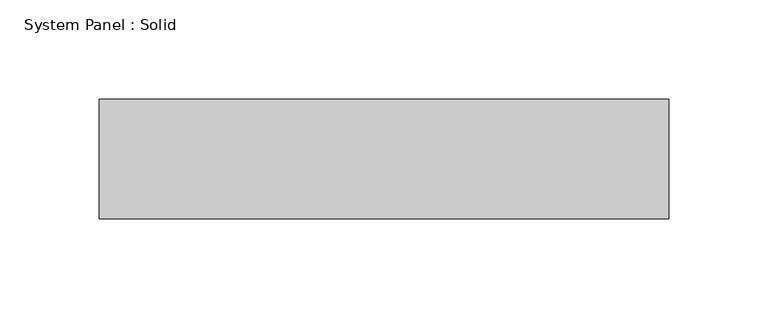
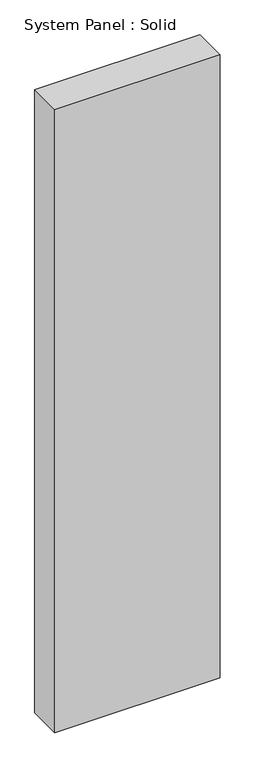
"""IFC4 building model written with IfcOpenShell, lengths in millimetres: plate geometry, System Panel : Solid."""

import ifcopenshell
import ifcopenshell.guid

model = None  # the IFC model being written
_history = None  # IfcOwnerHistory: only IFC2X3 demands one
_inside = {}  # id of a spatial element -> (the spatial element, [elements in it])
_under = {}  # id of a project, library or spatial element -> (it, [spatial elements below it])
_declared = {}  # id of a project -> (the project, [libraries it declares])
_typed = {}  # id of a type object -> (the type object, [elements of that type])
_made_of = {}  # id of a material, layer set ... -> (it, [elements and type objects made of it])


def new_model(schema):
    """Start an empty IFC model of exactly this schema.

    Asked for "IFC4X3", IfcOpenShell would pick the latest addendum, in which some entities
    have other attributes; the version numbers below select the first issue.
    IFC2X3 requires an IfcOwnerHistory on every rooted entity: one is made here for all.
    """
    global model, _history
    if schema == "IFC4X3":
        model = ifcopenshell.file(schema_version=(4, 3, 0, 0))
    else:
        model = ifcopenshell.file(schema=schema)
    _inside.clear()
    _under.clear()
    _declared.clear()
    _typed.clear()
    _made_of.clear()
    _history = None
    if model.schema == "IFC2X3":
        org = make("IfcOrganization", Name="unknown")
        user = make(
            "IfcPersonAndOrganization",
            ThePerson=make("IfcPerson", FamilyName="unknown"),
            TheOrganization=org,
        )
        app = make(
            "IfcApplication",
            ApplicationDeveloper=org,
            Version="unknown",
            ApplicationFullName="unknown",
            ApplicationIdentifier="unknown",
        )
        _history = make(
            "IfcOwnerHistory",
            OwningUser=user,
            OwningApplication=app,
            ChangeAction="ADDED",
            CreationDate=0,
        )
    return model


def make(cls, **values):
    """One entity of the class cls with the attributes given. An attribute that is None is left unset."""
    return model.create_entity(
        cls, **{name: value for name, value in values.items() if value is not None}
    )


def rooted(cls, **values):
    """An entity with a GlobalId (a new one), such as an element, a storey or a relation."""
    return make(cls, GlobalId=ifcopenshell.guid.new(), OwnerHistory=_history, **values)


def si_unit(unit_type, name, prefix=None):
    """IfcSIUnit, for example si_unit("LENGTHUNIT", "METRE", prefix="MILLI")."""
    return make("IfcSIUnit", UnitType=unit_type, Prefix=prefix, Name=name)


def assignment(units):
    """IfcUnitAssignment: the units of a project."""
    return None if units is None else make("IfcUnitAssignment", Units=units)


def point(xyz):
    """IfcCartesianPoint."""
    return None if xyz is None else make("IfcCartesianPoint", Coordinates=xyz)


def direction(xyz):
    """IfcDirection."""
    return None if xyz is None else make("IfcDirection", DirectionRatios=xyz)


def frame(location, z_axis=None, x_axis=None):
    """IfcAxis2Placement3D, a coordinate frame: its origin and axes. An axis left out is left unset."""
    return make(
        "IfcAxis2Placement3D",
        Location=point(location),
        Axis=direction(z_axis),
        RefDirection=direction(x_axis),
    )


def origin():
    """The frame at (0, 0, 0) with its axes left unset."""
    return frame((0.0, 0.0, 0.0))


def origin_with_axes():
    """The frame at (0, 0, 0) with the z axis (0, 0, 1) and the x axis (1, 0, 0) written out."""
    return frame((0.0, 0.0, 0.0), z_axis=(0.0, 0.0, 1.0), x_axis=(1.0, 0.0, 0.0))


def place(relative_to, where):
    """IfcLocalPlacement: puts the frame where relative to a parent placement (None: the world)."""
    return make(
        "IfcLocalPlacement", PlacementRelTo=relative_to, RelativePlacement=where
    )


def context(
    kind, dimensions, precision=None, world=None, true_north=None, identifier=None
):
    """IfcGeometricRepresentationContext, for example the 3D "Model" context."""
    return make(
        "IfcGeometricRepresentationContext",
        ContextIdentifier=identifier,
        ContextType=kind,
        CoordinateSpaceDimension=dimensions,
        Precision=precision,
        WorldCoordinateSystem=world,
        TrueNorth=true_north,
    )


def project(units=None, contexts=None):
    """IfcProject with its units and contexts."""
    return rooted(
        "IfcProject",
        Name="project",
        RepresentationContexts=contexts,
        UnitsInContext=assignment(units),
    )


def spatial(cls, under=None, at=None, **own):
    """A site, building, storey or space (cls), placed at a placement, below another one or the project."""
    s = rooted(cls, ObjectPlacement=at, **own)
    if under is not None:
        _under.setdefault(under.id(), (under, []))[1].append(s)
    return s


def polyline(points):
    """IfcPolyline through the points."""
    return make("IfcPolyline", Points=[point(p) for p in points])


def outline(outer, holes=None, kind="AREA"):
    """IfcArbitraryClosedProfileDef: a profile drawn as a closed curve; with holes, ...WithVoids."""
    if holes is None:
        return make("IfcArbitraryClosedProfileDef", ProfileType=kind, OuterCurve=outer)
    return make(
        "IfcArbitraryProfileDefWithVoids",
        ProfileType=kind,
        OuterCurve=outer,
        InnerCurves=holes,
    )


def extrude(swept, where, along, depth):
    """IfcExtrudedAreaSolid: the profile swept, set in the frame where, extruded along a direction by depth."""
    return make(
        "IfcExtrudedAreaSolid",
        SweptArea=swept,
        Position=where,
        ExtrudedDirection=direction(along),
        Depth=depth,
    )


def shape(context_of_items, identifier, shape_type, items):
    """IfcShapeRepresentation: the items that make up one representation, for example the "Body"."""
    return make(
        "IfcShapeRepresentation",
        ContextOfItems=context_of_items,
        RepresentationIdentifier=identifier,
        RepresentationType=shape_type,
        Items=items,
    )


def source(mapping_origin, context_of_items, identifier, shape_type, items):
    """IfcRepresentationMap: a shape defined once, which mapped items show again and again."""
    return make(
        "IfcRepresentationMap",
        MappingOrigin=mapping_origin,
        MappedRepresentation=shape(context_of_items, identifier, shape_type, items),
    )


def transform(
    local_origin,
    x_axis=None,
    y_axis=None,
    z_axis=None,
    scale=None,
    scale2=None,
    scale3=None,
    uniform=True,
):
    """IfcCartesianTransformationOperator3D, or its non-uniform kind. x_axis, y_axis, z_axis: its Axis1, 2, 3."""
    if uniform:
        return make(
            "IfcCartesianTransformationOperator3D",
            Axis1=direction(x_axis),
            Axis2=direction(y_axis),
            LocalOrigin=point(local_origin),
            Scale=scale,
            Axis3=direction(z_axis),
        )
    return make(
        "IfcCartesianTransformationOperator3DnonUniform",
        Axis1=direction(x_axis),
        Axis2=direction(y_axis),
        LocalOrigin=point(local_origin),
        Scale=scale,
        Axis3=direction(z_axis),
        Scale2=scale2,
        Scale3=scale3,
    )


def mapped(mapping_source, mapping_target):
    """IfcMappedItem: shows the shape of a source again, moved by a transform."""
    return make(
        "IfcMappedItem", MappingSource=mapping_source, MappingTarget=mapping_target
    )


def made_of(thing, what):
    """Note that an element or type object is made of a material, layer set ...; save() writes the relation."""
    if what is not None:
        _made_of.setdefault(what.id(), (what, []))[1].append(thing)
    return thing


def element(
    cls,
    number,
    at=None,
    inside=None,
    cuts=None,
    type_object=None,
    material=None,
    context=None,
    identifier="Body",
    shape_type=None,
    held_by="IfcProductDefinitionShape",
    body=None,
    shapes=None,
    **own,
):
    """One element of the class cls, such as IfcWall. Its Tag is "e" and its number.

    at: its placement. inside: the storey or other place that contains it. cuts: it is an
    opening in that element (IfcRelVoidsElement). A single representation is given by context,
    identifier, shape_type and body (its items); several are given by shapes. held_by: the class
    of the entity that holds the representations. save() writes the other relations.
    """
    e = rooted(cls, Tag="e%d" % number, ObjectPlacement=at, **own)
    if body is not None:
        shapes = [shape(context, identifier, shape_type, body)]
    if shapes is not None:
        e.Representation = make(held_by, Representations=shapes)
    if inside is not None:
        _inside.setdefault(inside.id(), (inside, []))[1].append(e)
    if cuts is not None:
        rooted(
            "IfcRelVoidsElement", RelatingBuildingElement=cuts, RelatedOpeningElement=e
        )
    if type_object is not None:
        _typed.setdefault(type_object.id(), (type_object, []))[1].append(e)
    return made_of(e, material)


def aggregate(whole, parts):
    """IfcRelAggregates: a whole, such as a stair, and the parts it consists of."""
    return rooted("IfcRelAggregates", RelatingObject=whole, RelatedObjects=parts)


def save(model, path):
    """Write the relations noted so far, then the file.

    IfcRelAggregates (storeys below a building ...), IfcRelContainedInSpatialStructure (elements
    in a storey), IfcRelDefinesByType, IfcRelAssociatesMaterial and IfcRelDeclares: one each for
    every whole, place, type object, material and project.
    """
    for whole, parts in _under.values():
        aggregate(whole, parts)
    for where, things in _inside.values():
        rooted(
            "IfcRelContainedInSpatialStructure",
            RelatedElements=things,
            RelatingStructure=where,
        )
    for kind, things in _typed.values():
        rooted("IfcRelDefinesByType", RelatedObjects=things, RelatingType=kind)
    for what, things in _made_of.values():
        rooted("IfcRelAssociatesMaterial", RelatedObjects=things, RelatingMaterial=what)
    for by, libraries in _declared.values():
        rooted("IfcRelDeclares", RelatingContext=by, RelatedDefinitions=libraries)
    model.write(path)


def system_panel_solid_dea325df(model_context):
    return source(origin(), model_context, "Body", "SweptSolid", [
        extrude(outline(polyline([(143.0, -10.5), (-143.0, -10.5), (-143.0, 49.5), (143.0, 49.5), (143.0, -10.5)])), origin_with_axes(), (0.0, 0.0, 1.0), 1140.0),
    ])


if __name__ == "__main__":
    model = new_model("IFC4")
    model_context = context("Model", 3, world=origin())
    ifc_project = project(units=[si_unit("LENGTHUNIT", "METRE", prefix="MILLI")], contexts=[model_context])
    site = spatial("IfcSite", under=ifc_project)
    building = spatial("IfcBuilding", under=site)
    placement = place(None, origin())
    system_panel_solid_shape = system_panel_solid_dea325df(model_context)
    element("IfcPlate", 1, ObjectType="System Panel : Solid", at=placement, inside=building, context=model_context, shape_type="MappedRepresentation", body=[
        mapped(system_panel_solid_shape, transform((0.0, 0.0, 0.0), x_axis=(1.0, 0.0, 0.0), y_axis=(0.0, 1.0, 0.0), z_axis=(0.0, 0.0, 1.0))),
    ])
    save(model, "model.ifc")
